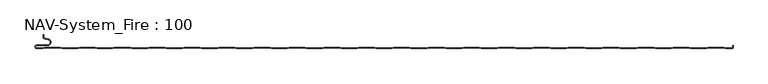
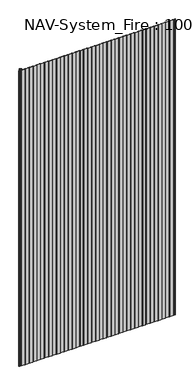
"""IFC4 building model written with IfcOpenShell, lengths in millimetres: plate geometry, NAV-System_Fire : 100."""

from ifc_helpers import new_model, si_unit, frame, origin, place, context, project, spatial, polyline, circle_curve, source, transform, mapped, element, save
from ifc_brep_helpers import plane_surface, cylinder_surface, revolved_surface, advanced_brep


def nav_system_fire_100_ceb1fbf4(model_context):
    return source(origin(), model_context, "Body", "AdvancedBrep", [
        advanced_brep(
        [(-488.8798221, -100.8, 2000.0), (-497.2500001, -100.8, 2000.0), (-497.2500001, -97.4000001, 2000.0), (-481.8502086, -97.4000001, 2000.0), (-480.9923864, -87.5950498, 2000.0), (-485.8625665, -86.7363054, 2000.0), (-487.3500004, -84.9636506, 2000.0), (-487.3500014, -81.6578709, 2000.0), (-488.1500014, -81.6578709, 2000.0), (-488.1500014, -84.9636516, 2000.0), (-486.0014853, -87.5241512, 2000.0), (-481.1313015, -88.382896, 2000.0), (-481.850205, -96.6000001, 2000.0), (-497.2500001, -96.6000001, 2000.0), (-497.2500001, -101.6, 2000.0), (-488.75, -101.6, 2000.0), (-485.75, -100.6, 2000.0), (-463.75, -100.6, 2000.0), (-460.75, -101.6, 2000.0), (-438.75, -101.6, 2000.0), (-435.75, -100.6, 2000.0), (-413.75, -100.6, 2000.0), (-410.75, -101.6, 2000.0), (-388.75, -101.6, 2000.0), (-385.75, -100.6, 2000.0), (-363.75, -100.6, 2000.0), (-360.75, -101.6, 2000.0), (-338.75, -101.6, 2000.0), (-335.75, -100.6, 2000.0), (-313.75, -100.6, 2000.0), (-310.75, -101.6, 2000.0), (-288.75, -101.6, 2000.0), (-285.75, -100.6, 2000.0), (-263.75, -100.6, 2000.0), (-260.75, -101.6, 2000.0), (-238.75, -101.6, 2000.0), (-235.75, -100.6, 2000.0), (-213.75, -100.6, 2000.0), (-210.75, -101.6, 2000.0), (-188.75, -101.6, 2000.0), (-185.75, -100.6, 2000.0), (-163.75, -100.6, 2000.0), (-160.75, -101.6, 2000.0), (-138.75, -101.6, 2000.0), (-135.75, -100.6, 2000.0), (-113.75, -100.6, 2000.0), (-110.75, -101.6, 2000.0), (-88.75, -101.6, 2000.0), (-85.75, -100.6, 2000.0), (-63.75, -100.6, 2000.0), (-60.75, -101.6, 2000.0), (-38.75, -101.6, 2000.0), (-35.75, -100.6, 2000.0), (-13.75, -100.6, 2000.0), (-10.75, -101.6, 2000.0), (11.25, -101.6, 2000.0), (14.25, -100.6, 2000.0), (36.25, -100.6, 2000.0), (39.25, -101.6, 2000.0), (61.25, -101.6, 2000.0), (64.25, -100.6, 2000.0), (86.25, -100.6, 2000.0), (89.25, -101.6, 2000.0), (111.25, -101.6, 2000.0), (114.25, -100.6, 2000.0), (136.25, -100.6, 2000.0), (139.25, -101.6, 2000.0), (161.25, -101.6, 2000.0), (164.25, -100.6, 2000.0), (186.25, -100.6, 2000.0), (189.25, -101.6, 2000.0), (211.25, -101.6, 2000.0), (214.25, -100.6, 2000.0), (236.25, -100.6, 2000.0), (239.25, -101.6, 2000.0), (261.25, -101.6, 2000.0), (264.25, -100.6, 2000.0), (286.25, -100.6, 2000.0), (289.25, -101.6, 2000.0), (311.25, -101.6, 2000.0), (314.25, -100.6, 2000.0), (336.25, -100.6, 2000.0), (339.25, -101.6, 2000.0), (361.25, -101.6, 2000.0), (364.25, -100.6, 2000.0), (386.25, -100.6, 2000.0), (389.25, -101.6, 2000.0), (411.25, -101.6, 2000.0), (414.25, -100.6, 2000.0), (436.25, -100.6, 2000.0), (439.25, -101.6, 2000.0), (461.25, -101.6, 2000.0), (464.25, -100.6, 2000.0), (486.25, -100.6, 2000.0), (489.25, -101.6, 2000.0), (498.2500007, -101.6, 2000.0), (499.75, -100.9228766, 2000.0), (499.75, -96.9390429, 2000.0), (499.4499998, -98.1999953, 2000.0), (499.4499998, -99.5978602, 2000.0), (498.2500017, -100.7999998, 2000.0), (489.3798221, -100.8, 2000.0), (486.3798221, -99.8, 2000.0), (464.1201779, -99.8, 2000.0), (461.1201779, -100.8, 2000.0), (439.3798221, -100.8, 2000.0), (436.3798221, -99.8, 2000.0), (414.1201779, -99.8, 2000.0), (411.1201779, -100.8, 2000.0), (389.3798221, -100.8, 2000.0), (386.3798221, -99.8, 2000.0), (364.1201779, -99.8, 2000.0), (361.1201779, -100.8, 2000.0), (339.3798221, -100.8, 2000.0), (336.3798221, -99.8, 2000.0), (314.1201779, -99.8, 2000.0), (311.1201779, -100.8, 2000.0), (289.3798221, -100.8, 2000.0), (286.3798221, -99.8, 2000.0), (264.1201779, -99.8, 2000.0), (261.1201779, -100.8, 2000.0), (239.3798221, -100.8, 2000.0), (236.3798221, -99.8, 2000.0), (214.1201779, -99.8, 2000.0), (211.1201779, -100.8, 2000.0), (189.3798221, -100.8, 2000.0), (186.3798221, -99.8, 2000.0), (164.1201779, -99.8, 2000.0), (161.1201779, -100.8, 2000.0), (139.3798221, -100.8, 2000.0), (136.3798221, -99.8, 2000.0), (114.1201779, -99.8, 2000.0), (111.1201779, -100.8, 2000.0), (89.3798221, -100.8, 2000.0), (86.3798221, -99.8, 2000.0), (64.1201779, -99.8, 2000.0), (61.1201779, -100.8, 2000.0), (39.3798221, -100.8, 2000.0), (36.3798221, -99.8, 2000.0), (14.1201779, -99.8, 2000.0), (11.1201779, -100.8, 2000.0), (-10.6201779, -100.8, 2000.0), (-13.6201779, -99.8, 2000.0), (-35.8798221, -99.8, 2000.0), (-38.8798221, -100.8, 2000.0), (-60.6201779, -100.8, 2000.0), (-63.6201779, -99.8, 2000.0), (-85.8798221, -99.8, 2000.0), (-88.8798221, -100.8, 2000.0), (-110.6201779, -100.8, 2000.0), (-113.6201779, -99.8, 2000.0), (-135.8798221, -99.8, 2000.0), (-138.8798221, -100.8, 2000.0), (-160.6201779, -100.8, 2000.0), (-163.6201779, -99.8, 2000.0), (-185.8798221, -99.8, 2000.0), (-188.8798221, -100.8, 2000.0), (-210.6201779, -100.8, 2000.0), (-213.6201779, -99.8, 2000.0), (-235.8798221, -99.8, 2000.0), (-238.8798221, -100.8, 2000.0), (-260.6201779, -100.8, 2000.0), (-263.6201779, -99.8, 2000.0), (-285.8798221, -99.8, 2000.0), (-288.8798221, -100.8, 2000.0), (-310.6201779, -100.8, 2000.0), (-313.6201779, -99.8, 2000.0), (-335.8798221, -99.8, 2000.0), (-338.8798221, -100.8, 2000.0), (-360.6201779, -100.8, 2000.0), (-363.6201779, -99.8, 2000.0), (-385.8798221, -99.8, 2000.0), (-388.8798221, -100.8, 2000.0), (-410.6201779, -100.8, 2000.0), (-413.6201779, -99.8, 2000.0), (-435.8798221, -99.8, 2000.0), (-438.8798221, -100.8, 2000.0), (-460.6201779, -100.8, 2000.0), (-463.6201779, -99.8, 2000.0), (-485.8798221, -99.8, 2000.0), (-488.8798221, -100.8, 0.0), (-485.8798221, -99.8, 0.0), (-463.6201779, -99.8, 0.0), (-460.6201779, -100.8, 0.0), (-438.8798221, -100.8, 0.0), (-435.8798221, -99.8, 0.0), (-413.6201779, -99.8, 0.0), (-410.6201779, -100.8, 0.0), (-388.8798221, -100.8, 0.0), (-385.8798221, -99.8, 0.0), (-363.6201779, -99.8, 0.0), (-360.6201779, -100.8, 0.0), (-338.8798221, -100.8, 0.0), (-335.8798221, -99.8, 0.0), (-313.6201779, -99.8, 0.0), (-310.6201779, -100.8, 0.0), (-288.8798221, -100.8, 0.0), (-285.8798221, -99.8, 0.0), (-263.6201779, -99.8, 0.0), (-260.6201779, -100.8, 0.0), (-238.8798221, -100.8, 0.0), (-235.8798221, -99.8, 0.0), (-213.6201779, -99.8, 0.0), (-210.6201779, -100.8, 0.0), (-188.8798221, -100.8, 0.0), (-185.8798221, -99.8, 0.0), (-163.6201779, -99.8, 0.0), (-160.6201779, -100.8, 0.0), (-138.8798221, -100.8, 0.0), (-135.8798221, -99.8, 0.0), (-113.6201779, -99.8, 0.0), (-110.6201779, -100.8, 0.0), (-88.8798221, -100.8, 0.0), (-85.8798221, -99.8, 0.0), (-63.6201779, -99.8, 0.0), (-60.6201779, -100.8, 0.0), (-38.8798221, -100.8, 0.0), (-35.8798221, -99.8, 0.0), (-13.6201779, -99.8, 0.0), (-10.6201779, -100.8, 0.0), (11.1201779, -100.8, 0.0), (14.1201779, -99.8, 0.0), (36.3798221, -99.8, 0.0), (39.3798221, -100.8, 0.0), (61.1201779, -100.8, 0.0), (64.1201779, -99.8, 0.0), (86.3798221, -99.8, 0.0), (89.3798221, -100.8, 0.0), (111.1201779, -100.8, 0.0), (114.1201779, -99.8, 0.0), (136.3798221, -99.8, 0.0), (139.3798221, -100.8, 0.0), (161.1201779, -100.8, 0.0), (164.1201779, -99.8, 0.0), (186.3798221, -99.8, 0.0), (189.3798221, -100.8, 0.0), (211.1201779, -100.8, 0.0), (214.1201779, -99.8, 0.0), (236.3798221, -99.8, 0.0), (239.3798221, -100.8, 0.0), (261.1201779, -100.8, 0.0), (264.1201779, -99.8, 0.0), (286.3798221, -99.8, 0.0), (289.3798221, -100.8, 0.0), (311.1201779, -100.8, 0.0), (314.1201779, -99.8, 0.0), (336.3798221, -99.8, 0.0), (339.3798221, -100.8, 0.0), (361.1201779, -100.8, 0.0), (364.1201779, -99.8, 0.0), (386.3798221, -99.8, 0.0), (389.3798221, -100.8, 0.0), (411.1201779, -100.8, 0.0), (414.1201779, -99.8, 0.0), (436.3798221, -99.8, 0.0), (439.3798221, -100.8, 0.0), (461.1201779, -100.8, 0.0), (464.1201779, -99.8, 0.0), (486.3798221, -99.8, 0.0), (489.3798221, -100.8, 0.0), (498.2500017, -100.8, 0.0), (499.4499998, -99.5978602, 0.0), (499.4499998, -98.1999953, 0.0), (499.75, -96.9390429, 0.0), (499.75, -100.9228766, 0.0), (498.2500007, -101.6, 0.0), (489.25, -101.6, 0.0), (486.25, -100.6, 0.0), (464.25, -100.6, 0.0), (461.25, -101.6, 0.0), (439.25, -101.6, 0.0), (436.25, -100.6, 0.0), (414.25, -100.6, 0.0), (411.25, -101.6, 0.0), (389.25, -101.6, 0.0), (386.25, -100.6, 0.0), (364.25, -100.6, 0.0), (361.25, -101.6, 0.0), (339.25, -101.6, 0.0), (336.25, -100.6, 0.0), (314.25, -100.6, 0.0), (311.25, -101.6, 0.0), (289.25, -101.6, 0.0), (286.25, -100.6, 0.0), (264.25, -100.6, 0.0), (261.25, -101.6, 0.0), (239.25, -101.6, 0.0), (236.25, -100.6, 0.0), (214.25, -100.6, 0.0), (211.25, -101.6, 0.0), (189.25, -101.6, 0.0), (186.25, -100.6, 0.0), (164.25, -100.6, 0.0), (161.25, -101.6, 0.0), (139.25, -101.6, 0.0), (136.25, -100.6, 0.0), (114.25, -100.6, 0.0), (111.25, -101.6, 0.0), (89.25, -101.6, 0.0), (86.25, -100.6, 0.0), (64.25, -100.6, 0.0), (61.25, -101.6, 0.0), (39.25, -101.6, 0.0), (36.25, -100.6, 0.0), (14.25, -100.6, 0.0), (11.25, -101.6, 0.0), (-10.75, -101.6, 0.0), (-13.75, -100.6, 0.0), (-35.75, -100.6, 0.0), (-38.75, -101.6, 0.0), (-60.75, -101.6, 0.0), (-63.75, -100.6, 0.0), (-85.75, -100.6, 0.0), (-88.75, -101.6, 0.0), (-110.75, -101.6, 0.0), (-113.75, -100.6, 0.0), (-135.75, -100.6, 0.0), (-138.75, -101.6, 0.0), (-160.75, -101.6, 0.0), (-163.75, -100.6, 0.0), (-185.75, -100.6, 0.0), (-188.75, -101.6, 0.0), (-210.75, -101.6, 0.0), (-213.75, -100.6, 0.0), (-235.75, -100.6, 0.0), (-238.75, -101.6, 0.0), (-260.75, -101.6, 0.0), (-263.75, -100.6, 0.0), (-285.75, -100.6, 0.0), (-288.75, -101.6, 0.0), (-310.75, -101.6, 0.0), (-313.75, -100.6, 0.0), (-335.75, -100.6, 0.0), (-338.75, -101.6, 0.0), (-360.75, -101.6, 0.0), (-363.75, -100.6, 0.0), (-385.75, -100.6, 0.0), (-388.75, -101.6, 0.0), (-410.75, -101.6, 0.0), (-413.75, -100.6, 0.0), (-435.75, -100.6, 0.0), (-438.75, -101.6, 0.0), (-460.75, -101.6, 0.0), (-463.75, -100.6, 0.0), (-485.75, -100.6, 0.0), (-488.75, -101.6, 0.0), (-497.2500001, -101.6, 0.0), (-497.2500001, -96.6000001, 0.0), (-481.850205, -96.6000001, 0.0), (-481.1313015, -88.382896, 0.0), (-486.0014853, -87.5241512, 0.0), (-488.1499997, -84.9636516, 0.0), (-488.1500014, -81.6578709, 0.0), (-487.3500014, -81.6578709, 0.0), (-487.3500014, -84.9636506, 0.0), (-485.8625665, -86.7363054, 0.0), (-480.9923864, -87.5950498, 0.0), (-481.8502086, -97.4000001, 0.0), (-497.2500001, -97.4000001, 0.0), (-497.2500001, -100.7999998, 0.0)],
        [
            (0, 1),
            (1, 2, circle_curve(frame((-497.2500001, -99.1, 2000.0), z_axis=(0.0, 0.0, -1.0), x_axis=(1.0, 0.0, 0.0)), 1.6999999)),
            (2, 3),
            (3, 4, circle_curve(frame((-481.8502086, -92.4600001, 2000.0), z_axis=(0.0, 0.0, 1.0), x_axis=(1.0, 0.0, 0.0)), 4.94)),
            (4, 5),
            (5, 6, circle_curve(frame((-485.5499995, -84.9636506, 2000.0), z_axis=(0.0, 0.0, -1.0), x_axis=(1.0, 0.0, 0.0)), 1.8000009)),
            (6, 7),
            (7, 8),
            (8, 9),
            (9, 10, circle_curve(frame((-485.5500002, -84.9636516, 2000.0), z_axis=(0.0, 0.0, 1.0), x_axis=(1.0, 0.0, 0.0)), 2.5999995)),
            (10, 11),
            (11, 12, circle_curve(frame((-481.850205, -92.4600001, 2000.0), z_axis=(0.0, 0.0, -1.0), x_axis=(1.0, 0.0, 0.0)), 4.14)),
            (12, 13),
            (13, 14, circle_curve(frame((-497.2500001, -99.1000001, 2000.0), z_axis=(0.0, 0.0, 1.0), x_axis=(1.0, 0.0, 0.0)), 2.4999999)),
            (14, 15),
            (15, 16),
            (16, 17),
            (17, 18),
            (18, 19),
            (19, 20),
            (20, 21),
            (21, 22),
            (22, 23),
            (23, 24),
            (24, 25),
            (25, 26),
            (26, 27),
            (27, 28),
            (28, 29),
            (29, 30),
            (30, 31),
            (31, 32),
            (32, 33),
            (33, 34),
            (34, 35),
            (35, 36),
            (36, 37),
            (37, 38),
            (38, 39),
            (39, 40),
            (40, 41),
            (41, 42),
            (42, 43),
            (43, 44),
            (44, 45),
            (45, 46),
            (46, 47),
            (47, 48),
            (48, 49),
            (49, 50),
            (50, 51),
            (51, 52),
            (52, 53),
            (53, 54),
            (54, 55),
            (55, 56),
            (56, 57),
            (57, 58),
            (58, 59),
            (59, 60),
            (60, 61),
            (61, 62),
            (62, 63),
            (63, 64),
            (64, 65),
            (65, 66),
            (66, 67),
            (67, 68),
            (68, 69),
            (69, 70),
            (70, 71),
            (71, 72),
            (72, 73),
            (73, 74),
            (74, 75),
            (75, 76),
            (76, 77),
            (77, 78),
            (78, 79),
            (79, 80),
            (80, 81),
            (81, 82),
            (82, 83),
            (83, 84),
            (84, 85),
            (85, 86),
            (86, 87),
            (87, 88),
            (88, 89),
            (89, 90),
            (90, 91),
            (91, 92),
            (92, 93),
            (93, 94),
            (94, 95),
            (95, 96, circle_curve(frame((498.2500007, -99.5999998, 2000.0), z_axis=(0.0, 0.0, 1.0), x_axis=(1.0, 0.0, 0.0)), 2.0000002)),
            (96, 97),
            (97, 98, circle_curve(frame((502.2499995, -98.1999953, 2000.0), z_axis=(0.0, 0.0, 1.0), x_axis=(1.0, 0.0, 0.0)), 2.7999997)),
            (98, 99),
            (99, 100, circle_curve(frame((498.2500017, -99.5999998, 2000.0), z_axis=(0.0, 0.0, -1.0), x_axis=(1.0, 0.0, 0.0)), 1.2)),
            (100, 101),
            (101, 102),
            (102, 103),
            (103, 104),
            (104, 105),
            (105, 106),
            (106, 107),
            (107, 108),
            (108, 109),
            (109, 110),
            (110, 111),
            (111, 112),
            (112, 113),
            (113, 114),
            (114, 115),
            (115, 116),
            (116, 117),
            (117, 118),
            (118, 119),
            (119, 120),
            (120, 121),
            (121, 122),
            (122, 123),
            (123, 124),
            (124, 125),
            (125, 126),
            (126, 127),
            (127, 128),
            (128, 129),
            (129, 130),
            (130, 131),
            (131, 132),
            (132, 133),
            (133, 134),
            (134, 135),
            (135, 136),
            (136, 137),
            (137, 138),
            (138, 139),
            (139, 140),
            (140, 141),
            (141, 142),
            (142, 143),
            (143, 144),
            (144, 145),
            (145, 146),
            (146, 147),
            (147, 148),
            (148, 149),
            (149, 150),
            (150, 151),
            (151, 152),
            (152, 153),
            (153, 154),
            (154, 155),
            (155, 156),
            (156, 157),
            (157, 158),
            (158, 159),
            (159, 160),
            (160, 161),
            (161, 162),
            (162, 163),
            (163, 164),
            (164, 165),
            (165, 166),
            (166, 167),
            (167, 168),
            (168, 169),
            (169, 170),
            (170, 171),
            (171, 172),
            (172, 173),
            (173, 174),
            (174, 175),
            (175, 176),
            (176, 177),
            (177, 178),
            (178, 179),
            (179, 0),
            (180, 181),
            (181, 182),
            (182, 183),
            (183, 184),
            (184, 185),
            (185, 186),
            (186, 187),
            (187, 188),
            (188, 189),
            (189, 190),
            (190, 191),
            (191, 192),
            (192, 193),
            (193, 194),
            (194, 195),
            (195, 196),
            (196, 197),
            (197, 198),
            (198, 199),
            (199, 200),
            (200, 201),
            (201, 202),
            (202, 203),
            (203, 204),
            (204, 205),
            (205, 206),
            (206, 207),
            (207, 208),
            (208, 209),
            (209, 210),
            (210, 211),
            (211, 212),
            (212, 213),
            (213, 214),
            (214, 215),
            (215, 216),
            (216, 217),
            (217, 218),
            (218, 219),
            (219, 220),
            (220, 221),
            (221, 222),
            (222, 223),
            (223, 224),
            (224, 225),
            (225, 226),
            (226, 227),
            (227, 228),
            (228, 229),
            (229, 230),
            (230, 231),
            (231, 232),
            (232, 233),
            (233, 234),
            (234, 235),
            (235, 236),
            (236, 237),
            (237, 238),
            (238, 239),
            (239, 240),
            (240, 241),
            (241, 242),
            (242, 243),
            (243, 244),
            (244, 245),
            (245, 246),
            (246, 247),
            (247, 248),
            (248, 249),
            (249, 250),
            (250, 251),
            (251, 252),
            (252, 253),
            (253, 254),
            (254, 255),
            (255, 256),
            (256, 257),
            (257, 258),
            (258, 259),
            (259, 260),
            (260, 261, circle_curve(frame((498.2500017, -99.5999998, 0.0), z_axis=(0.0, 0.0, 1.0), x_axis=(1.0, 0.0, 0.0)), 1.2)),
            (261, 262),
            (262, 263, circle_curve(frame((502.2499995, -98.1999953, 0.0), z_axis=(0.0, 0.0, -1.0), x_axis=(1.0, 0.0, 0.0)), 2.7999997)),
            (263, 264),
            (264, 265, circle_curve(frame((498.2500007, -99.5999998, 0.0), z_axis=(0.0, 0.0, -1.0), x_axis=(1.0, 0.0, 0.0)), 2.0000002)),
            (265, 266),
            (266, 267),
            (267, 268),
            (268, 269),
            (269, 270),
            (270, 271),
            (271, 272),
            (272, 273),
            (273, 274),
            (274, 275),
            (275, 276),
            (276, 277),
            (277, 278),
            (278, 279),
            (279, 280),
            (280, 281),
            (281, 282),
            (282, 283),
            (283, 284),
            (284, 285),
            (285, 286),
            (286, 287),
            (287, 288),
            (288, 289),
            (289, 290),
            (290, 291),
            (291, 292),
            (292, 293),
            (293, 294),
            (294, 295),
            (295, 296),
            (296, 297),
            (297, 298),
            (298, 299),
            (299, 300),
            (300, 301),
            (301, 302),
            (302, 303),
            (303, 304),
            (304, 305),
            (305, 306),
            (306, 307),
            (307, 308),
            (308, 309),
            (309, 310),
            (310, 311),
            (311, 312),
            (312, 313),
            (313, 314),
            (314, 315),
            (315, 316),
            (316, 317),
            (317, 318),
            (318, 319),
            (319, 320),
            (320, 321),
            (321, 322),
            (322, 323),
            (323, 324),
            (324, 325),
            (325, 326),
            (326, 327),
            (327, 328),
            (328, 329),
            (329, 330),
            (330, 331),
            (331, 332),
            (332, 333),
            (333, 334),
            (334, 335),
            (335, 336),
            (336, 337),
            (337, 338),
            (338, 339),
            (339, 340),
            (340, 341),
            (341, 342),
            (342, 343),
            (343, 344),
            (344, 345),
            (345, 346),
            (346, 347, circle_curve(frame((-497.2500001, -99.1000001, 0.0), z_axis=(0.0, 0.0, -1.0), x_axis=(1.0, 0.0, 0.0)), 2.4999999)),
            (347, 348),
            (348, 349, circle_curve(frame((-481.850205, -92.4600001, 0.0), z_axis=(0.0, 0.0, 1.0), x_axis=(1.0, 0.0, 0.0)), 4.14)),
            (349, 350),
            (350, 351, circle_curve(frame((-485.5500002, -84.9636516, 0.0), z_axis=(0.0, 0.0, -1.0), x_axis=(1.0, 0.0, 0.0)), 2.5999995)),
            (351, 352),
            (352, 353),
            (353, 354),
            (354, 355, circle_curve(frame((-485.5499995, -84.9636506, 0.0), z_axis=(0.0, 0.0, 1.0), x_axis=(1.0, 0.0, 0.0)), 1.8000009)),
            (355, 356),
            (356, 357, circle_curve(frame((-481.8502086, -92.4600001, 0.0), z_axis=(0.0, 0.0, -1.0), x_axis=(1.0, 0.0, 0.0)), 4.94)),
            (357, 358),
            (358, 359, circle_curve(frame((-497.2500001, -99.1, 0.0), z_axis=(0.0, 0.0, 1.0), x_axis=(1.0, 0.0, 0.0)), 1.6999999)),
            (359, 180),
            (14, 346),
            (345, 15),
            (0, 180),
            (359, 1),
            (100, 260),
            (259, 101),
            (258, 102),
            (257, 103),
            (256, 104),
            (255, 105),
            (254, 106),
            (253, 107),
            (252, 108),
            (251, 109),
            (250, 110),
            (249, 111),
            (248, 112),
            (247, 113),
            (246, 114),
            (245, 115),
            (244, 116),
            (243, 117),
            (242, 118),
            (241, 119),
            (240, 120),
            (239, 121),
            (238, 122),
            (237, 123),
            (236, 124),
            (235, 125),
            (234, 126),
            (233, 127),
            (232, 128),
            (231, 129),
            (230, 130),
            (229, 131),
            (228, 132),
            (227, 133),
            (226, 134),
            (225, 135),
            (224, 136),
            (223, 137),
            (222, 138),
            (221, 139),
            (220, 140),
            (219, 141),
            (218, 142),
            (217, 143),
            (216, 144),
            (215, 145),
            (214, 146),
            (213, 147),
            (212, 148),
            (211, 149),
            (210, 150),
            (209, 151),
            (208, 152),
            (207, 153),
            (206, 154),
            (205, 155),
            (204, 156),
            (203, 157),
            (202, 158),
            (201, 159),
            (200, 160),
            (199, 161),
            (198, 162),
            (197, 163),
            (196, 164),
            (195, 165),
            (194, 166),
            (193, 167),
            (192, 168),
            (191, 169),
            (190, 170),
            (189, 171),
            (188, 172),
            (187, 173),
            (186, 174),
            (185, 175),
            (184, 176),
            (183, 177),
            (182, 178),
            (181, 179),
            (344, 16),
            (343, 17),
            (342, 18),
            (341, 19),
            (340, 20),
            (339, 21),
            (338, 22),
            (337, 23),
            (336, 24),
            (335, 25),
            (334, 26),
            (333, 27),
            (332, 28),
            (331, 29),
            (330, 30),
            (329, 31),
            (328, 32),
            (327, 33),
            (326, 34),
            (325, 35),
            (324, 36),
            (323, 37),
            (322, 38),
            (321, 39),
            (320, 40),
            (319, 41),
            (318, 42),
            (317, 43),
            (316, 44),
            (315, 45),
            (314, 46),
            (313, 47),
            (312, 48),
            (311, 49),
            (310, 50),
            (309, 51),
            (308, 52),
            (307, 53),
            (306, 54),
            (305, 55),
            (304, 56),
            (303, 57),
            (302, 58),
            (301, 59),
            (300, 60),
            (299, 61),
            (298, 62),
            (297, 63),
            (296, 64),
            (295, 65),
            (294, 66),
            (293, 67),
            (292, 68),
            (291, 69),
            (290, 70),
            (289, 71),
            (288, 72),
            (287, 73),
            (286, 74),
            (285, 75),
            (284, 76),
            (283, 77),
            (282, 78),
            (281, 79),
            (280, 80),
            (279, 81),
            (278, 82),
            (277, 83),
            (276, 84),
            (275, 85),
            (274, 86),
            (273, 87),
            (272, 88),
            (271, 89),
            (270, 90),
            (269, 91),
            (268, 92),
            (267, 93),
            (266, 94),
            (265, 95),
            (2, 358),
            (357, 3),
            (6, 354),
            (353, 7),
            (352, 8),
            (351, 9),
            (12, 348),
            (347, 13),
            (356, 4),
            (355, 5),
            (350, 10),
            (349, 11),
            (264, 96),
            (262, 98),
            (97, 263),
            (261, 99),
        ],
        [
            plane_surface(frame((-499.75, -101.6, 2000.0), z_axis=(0.0, 0.0, 1.0), x_axis=(-1.0, 0.0, 0.0))),
            plane_surface(frame((-499.75, -101.6, 0.0), z_axis=(0.0, 0.0, -1.0), x_axis=(-1.0, 0.0, 0.0))),
            plane_surface(frame((-497.2500001, -101.6, 2000.0), z_axis=(0.0, -1.0, 0.0), x_axis=(0.0, 0.0, -1.0))),
            plane_surface(frame((-488.8798221, -100.8, 2000.0), z_axis=(0.0, 1.0, 0.0), x_axis=(0.0, 0.0, -1.0))),
            plane_surface(frame((498.2500017, -100.8, 2000.0), z_axis=(0.0, 1.0, 0.0), x_axis=(0.0, 0.0, -1.0))),
            plane_surface(frame((489.3798221, -100.8, 2000.0), z_axis=(0.31622776601669583, 0.9486832980505612, 0.0), x_axis=(0.0, 0.0, -1.0))),
            plane_surface(frame((486.3798221, -99.8, 2000.0), z_axis=(0.0, 1.0, 0.0), x_axis=(0.0, 0.0, -1.0))),
            plane_surface(frame((464.1201779, -99.8, 2000.0), z_axis=(-0.31622776601680463, 0.948683298050525, 0.0), x_axis=(0.0, 0.0, -1.0))),
            plane_surface(frame((461.1201779, -100.8, 2000.0), z_axis=(0.0, 1.0, 0.0), x_axis=(0.0, 0.0, -1.0))),
            plane_surface(frame((439.3798221, -100.8, 2000.0), z_axis=(0.3162277660167412, 0.9486832980505461, 0.0), x_axis=(0.0, 0.0, -1.0))),
            plane_surface(frame((436.3798221, -99.8, 2000.0), z_axis=(0.0, 1.0, 0.0), x_axis=(0.0, 0.0, -1.0))),
            plane_surface(frame((414.1201779, -99.8, 2000.0), z_axis=(-0.3162277660167537, 0.948683298050542, 0.0), x_axis=(0.0, 0.0, -1.0))),
            plane_surface(frame((411.1201779, -100.8, 2000.0), z_axis=(0.0, 1.0, 0.0), x_axis=(0.0, 0.0, -1.0))),
            plane_surface(frame((389.3798221, -100.8, 2000.0), z_axis=(0.31622776601679214, 0.9486832980505291, 0.0), x_axis=(0.0, 0.0, -1.0))),
            plane_surface(frame((386.3798221, -99.8, 2000.0), z_axis=(0.0, 1.0, 0.0), x_axis=(0.0, 0.0, -1.0))),
            plane_surface(frame((364.1201779, -99.8, 2000.0), z_axis=(-0.31622776601680463, 0.948683298050525, 0.0), x_axis=(0.0, 0.0, -1.0))),
            plane_surface(frame((361.1201779, -100.8, 2000.0), z_axis=(0.0, 1.0, 0.0), x_axis=(0.0, 0.0, -1.0))),
            plane_surface(frame((339.3798221, -100.8, 2000.0), z_axis=(0.3162277660167412, 0.9486832980505461, 0.0), x_axis=(0.0, 0.0, -1.0))),
            plane_surface(frame((336.3798221, -99.8, 2000.0), z_axis=(0.0, 1.0, 0.0), x_axis=(0.0, 0.0, -1.0))),
            plane_surface(frame((314.1201779, -99.8, 2000.0), z_axis=(-0.3162277660167537, 0.948683298050542, 0.0), x_axis=(0.0, 0.0, -1.0))),
            plane_surface(frame((311.1201779, -100.8, 2000.0), z_axis=(0.0, 1.0, 0.0), x_axis=(0.0, 0.0, -1.0))),
            plane_surface(frame((289.3798221, -100.8, 2000.0), z_axis=(0.31622776601679214, 0.9486832980505291, 0.0), x_axis=(0.0, 0.0, -1.0))),
            plane_surface(frame((286.3798221, -99.8, 2000.0), z_axis=(0.0, 1.0, 0.0), x_axis=(0.0, 0.0, -1.0))),
            plane_surface(frame((264.1201779, -99.8, 2000.0), z_axis=(-0.31622776601680463, 0.948683298050525, 0.0), x_axis=(0.0, 0.0, -1.0))),
            plane_surface(frame((261.1201779, -100.8, 2000.0), z_axis=(0.0, 1.0, 0.0), x_axis=(0.0, 0.0, -1.0))),
            plane_surface(frame((239.3798221, -100.8, 2000.0), z_axis=(0.3162277660167412, 0.9486832980505461, 0.0), x_axis=(0.0, 0.0, -1.0))),
            plane_surface(frame((236.3798221, -99.8, 2000.0), z_axis=(0.0, 1.0, 0.0), x_axis=(0.0, 0.0, -1.0))),
            plane_surface(frame((214.1201779, -99.8, 2000.0), z_axis=(-0.3162277660167537, 0.948683298050542, 0.0), x_axis=(0.0, 0.0, -1.0))),
            plane_surface(frame((211.1201779, -100.8, 2000.0), z_axis=(0.0, 1.0, 0.0), x_axis=(0.0, 0.0, -1.0))),
            plane_surface(frame((189.3798221, -100.8, 2000.0), z_axis=(0.31622776601679214, 0.9486832980505291, 0.0), x_axis=(0.0, 0.0, -1.0))),
            plane_surface(frame((186.3798221, -99.8, 2000.0), z_axis=(0.0, 1.0, 0.0), x_axis=(0.0, 0.0, -1.0))),
            plane_surface(frame((164.1201779, -99.8, 2000.0), z_axis=(-0.31622776601680463, 0.948683298050525, 0.0), x_axis=(0.0, 0.0, -1.0))),
            plane_surface(frame((161.1201779, -100.8, 2000.0), z_axis=(0.0, 1.0, 0.0), x_axis=(0.0, 0.0, -1.0))),
            plane_surface(frame((139.3798221, -100.8, 2000.0), z_axis=(0.3162277660167412, 0.9486832980505461, 0.0), x_axis=(0.0, 0.0, -1.0))),
            plane_surface(frame((136.3798221, -99.8, 2000.0), z_axis=(0.0, 1.0, 0.0), x_axis=(0.0, 0.0, -1.0))),
            plane_surface(frame((114.1201779, -99.8, 2000.0), z_axis=(-0.3162277660167537, 0.948683298050542, 0.0), x_axis=(0.0, 0.0, -1.0))),
            plane_surface(frame((111.1201779, -100.8, 2000.0), z_axis=(0.0, 1.0, 0.0), x_axis=(0.0, 0.0, -1.0))),
            plane_surface(frame((89.3798221, -100.8, 2000.0), z_axis=(0.3162277660167412, 0.9486832980505461, 0.0), x_axis=(0.0, 0.0, -1.0))),
            plane_surface(frame((86.3798221, -99.8, 2000.0), z_axis=(0.0, 1.0, 0.0), x_axis=(0.0, 0.0, -1.0))),
            plane_surface(frame((64.1201779, -99.8, 2000.0), z_axis=(-0.3162277660167537, 0.948683298050542, 0.0), x_axis=(0.0, 0.0, -1.0))),
            plane_surface(frame((61.1201779, -100.8, 2000.0), z_axis=(0.0, 1.0, 0.0), x_axis=(0.0, 0.0, -1.0))),
            plane_surface(frame((39.3798221, -100.8, 2000.0), z_axis=(0.31622776601679214, 0.9486832980505291, 0.0), x_axis=(0.0, 0.0, -1.0))),
            plane_surface(frame((36.3798221, -99.8, 2000.0), z_axis=(0.0, 1.0, 0.0), x_axis=(0.0, 0.0, -1.0))),
            plane_surface(frame((14.1201779, -99.8, 2000.0), z_axis=(-0.31622776601680463, 0.948683298050525, 0.0), x_axis=(0.0, 0.0, -1.0))),
            plane_surface(frame((11.1201779, -100.8, 2000.0), z_axis=(0.0, 1.0, 0.0), x_axis=(0.0, 0.0, -1.0))),
            plane_surface(frame((-10.6201779, -100.8, 2000.0), z_axis=(0.3162277660167412, 0.9486832980505461, 0.0), x_axis=(0.0, 0.0, -1.0))),
            plane_surface(frame((-13.6201779, -99.8, 2000.0), z_axis=(0.0, 1.0, 0.0), x_axis=(0.0, 0.0, -1.0))),
            plane_surface(frame((-35.8798221, -99.8, 2000.0), z_axis=(-0.3162277660167537, 0.948683298050542, 0.0), x_axis=(0.0, 0.0, -1.0))),
            plane_surface(frame((-38.8798221, -100.8, 2000.0), z_axis=(0.0, 1.0, 0.0), x_axis=(0.0, 0.0, -1.0))),
            plane_surface(frame((-60.6201779, -100.8, 2000.0), z_axis=(0.31622776601679214, 0.9486832980505291, 0.0), x_axis=(0.0, 0.0, -1.0))),
            plane_surface(frame((-63.6201779, -99.8, 2000.0), z_axis=(0.0, 1.0, 0.0), x_axis=(0.0, 0.0, -1.0))),
            plane_surface(frame((-85.8798221, -99.8, 2000.0), z_axis=(-0.31622776601680463, 0.948683298050525, 0.0), x_axis=(0.0, 0.0, -1.0))),
            plane_surface(frame((-88.8798221, -100.8, 2000.0), z_axis=(0.0, 1.0, 0.0), x_axis=(0.0, 0.0, -1.0))),
            plane_surface(frame((-110.6201779, -100.8, 2000.0), z_axis=(0.3162277660167412, 0.9486832980505461, 0.0), x_axis=(0.0, 0.0, -1.0))),
            plane_surface(frame((-113.6201779, -99.8, 2000.0), z_axis=(0.0, 1.0, 0.0), x_axis=(0.0, 0.0, -1.0))),
            plane_surface(frame((-135.8798221, -99.8, 2000.0), z_axis=(-0.3162277660167537, 0.948683298050542, 0.0), x_axis=(0.0, 0.0, -1.0))),
            plane_surface(frame((-138.8798221, -100.8, 2000.0), z_axis=(0.0, 1.0, 0.0), x_axis=(0.0, 0.0, -1.0))),
            plane_surface(frame((-160.6201779, -100.8, 2000.0), z_axis=(0.31622776601679214, 0.9486832980505291, 0.0), x_axis=(0.0, 0.0, -1.0))),
            plane_surface(frame((-163.6201779, -99.8, 2000.0), z_axis=(0.0, 1.0, 0.0), x_axis=(0.0, 0.0, -1.0))),
            plane_surface(frame((-185.8798221, -99.8, 2000.0), z_axis=(-0.3162277660168057, 0.9486832980505246, 0.0), x_axis=(0.0, 0.0, -1.0))),
            plane_surface(frame((-188.8798221, -100.8, 2000.0), z_axis=(0.0, 1.0, 0.0), x_axis=(0.0, 0.0, -1.0))),
            plane_surface(frame((-210.6201779, -100.8, 2000.0), z_axis=(0.3162277660167412, 0.9486832980505461, 0.0), x_axis=(0.0, 0.0, -1.0))),
            plane_surface(frame((-213.6201779, -99.8, 2000.0), z_axis=(0.0, 1.0, 0.0), x_axis=(0.0, 0.0, -1.0))),
            plane_surface(frame((-235.8798221, -99.8, 2000.0), z_axis=(-0.3162277660167537, 0.948683298050542, 0.0), x_axis=(0.0, 0.0, -1.0))),
            plane_surface(frame((-238.8798221, -100.8, 2000.0), z_axis=(0.0, 1.0, 0.0), x_axis=(0.0, 0.0, -1.0))),
            plane_surface(frame((-260.6201779, -100.8, 2000.0), z_axis=(0.31622776601679214, 0.9486832980505291, 0.0), x_axis=(0.0, 0.0, -1.0))),
            plane_surface(frame((-263.6201779, -99.8, 2000.0), z_axis=(0.0, 1.0, 0.0), x_axis=(0.0, 0.0, -1.0))),
            plane_surface(frame((-285.8798221, -99.8, 2000.0), z_axis=(-0.31622776601680463, 0.948683298050525, 0.0), x_axis=(0.0, 0.0, -1.0))),
            plane_surface(frame((-288.8798221, -100.8, 2000.0), z_axis=(0.0, 1.0, 0.0), x_axis=(0.0, 0.0, -1.0))),
            plane_surface(frame((-310.6201779, -100.8, 2000.0), z_axis=(0.3162277660167412, 0.9486832980505461, 0.0), x_axis=(0.0, 0.0, -1.0))),
            plane_surface(frame((-313.6201779, -99.8, 2000.0), z_axis=(0.0, 1.0, 0.0), x_axis=(0.0, 0.0, -1.0))),
            plane_surface(frame((-335.8798221, -99.8, 2000.0), z_axis=(-0.3162277660167537, 0.948683298050542, 0.0), x_axis=(0.0, 0.0, -1.0))),
            plane_surface(frame((-338.8798221, -100.8, 2000.0), z_axis=(0.0, 1.0, 0.0), x_axis=(0.0, 0.0, -1.0))),
            plane_surface(frame((-360.6201779, -100.8, 2000.0), z_axis=(0.31622776601679214, 0.9486832980505291, 0.0), x_axis=(0.0, 0.0, -1.0))),
            plane_surface(frame((-363.6201779, -99.8, 2000.0), z_axis=(0.0, 1.0, 0.0), x_axis=(0.0, 0.0, -1.0))),
            plane_surface(frame((-385.8798221, -99.8, 2000.0), z_axis=(-0.31622776601680463, 0.948683298050525, 0.0), x_axis=(0.0, 0.0, -1.0))),
            plane_surface(frame((-388.8798221, -100.8, 2000.0), z_axis=(0.0, 1.0, 0.0), x_axis=(0.0, 0.0, -1.0))),
            plane_surface(frame((-410.6201779, -100.8, 2000.0), z_axis=(0.31622776601679214, 0.9486832980505291, 0.0), x_axis=(0.0, 0.0, -1.0))),
            plane_surface(frame((-413.6201779, -99.8, 2000.0), z_axis=(0.0, 1.0, 0.0), x_axis=(0.0, 0.0, -1.0))),
            plane_surface(frame((-435.8798221, -99.8, 2000.0), z_axis=(-0.31622776601680463, 0.948683298050525, 0.0), x_axis=(0.0, 0.0, -1.0))),
            plane_surface(frame((-438.8798221, -100.8, 2000.0), z_axis=(0.0, 1.0, 0.0), x_axis=(0.0, 0.0, -1.0))),
            plane_surface(frame((-460.6201779, -100.8, 2000.0), z_axis=(0.3162277660167412, 0.9486832980505461, 0.0), x_axis=(0.0, 0.0, -1.0))),
            plane_surface(frame((-463.6201779, -99.8, 2000.0), z_axis=(0.0, 1.0, 0.0), x_axis=(0.0, 0.0, -1.0))),
            plane_surface(frame((-485.8798221, -99.8, 2000.0), z_axis=(-0.3162277660167414, 0.9486832980505461, 0.0), x_axis=(0.0, 0.0, -1.0))),
            plane_surface(frame((-488.75, -101.6, 2000.0), z_axis=(0.31622776601671876, -0.9486832980505536, 0.0), x_axis=(0.0, 0.0, -1.0))),
            plane_surface(frame((-485.75, -100.6, 2000.0), z_axis=(0.0, -1.0, 0.0), x_axis=(0.0, 0.0, -1.0))),
            plane_surface(frame((-463.75, -100.6, 2000.0), z_axis=(-0.31622776601671854, -0.9486832980505536, 0.0), x_axis=(0.0, 0.0, -1.0))),
            plane_surface(frame((-460.75, -101.6, 2000.0), z_axis=(0.0, -1.0, 0.0), x_axis=(0.0, 0.0, -1.0))),
            plane_surface(frame((-438.75, -101.6, 2000.0), z_axis=(0.31622776601678765, -0.9486832980505306, 0.0), x_axis=(0.0, 0.0, -1.0))),
            plane_surface(frame((-435.75, -100.6, 2000.0), z_axis=(0.0, -1.0, 0.0), x_axis=(0.0, 0.0, -1.0))),
            plane_surface(frame((-413.75, -100.6, 2000.0), z_axis=(-0.3162277660167751, -0.9486832980505348, 0.0), x_axis=(0.0, 0.0, -1.0))),
            plane_surface(frame((-410.75, -101.6, 2000.0), z_axis=(0.0, -1.0, 0.0), x_axis=(0.0, 0.0, -1.0))),
            plane_surface(frame((-388.75, -101.6, 2000.0), z_axis=(0.31622776601678765, -0.9486832980505306, 0.0), x_axis=(0.0, 0.0, -1.0))),
            plane_surface(frame((-385.75, -100.6, 2000.0), z_axis=(0.0, -1.0, 0.0), x_axis=(0.0, 0.0, -1.0))),
            plane_surface(frame((-363.75, -100.6, 2000.0), z_axis=(-0.3162277660167751, -0.9486832980505348, 0.0), x_axis=(0.0, 0.0, -1.0))),
            plane_surface(frame((-360.75, -101.6, 2000.0), z_axis=(0.0, -1.0, 0.0), x_axis=(0.0, 0.0, -1.0))),
            plane_surface(frame((-338.75, -101.6, 2000.0), z_axis=(0.316227766016731, -0.9486832980505495, 0.0), x_axis=(0.0, 0.0, -1.0))),
            plane_surface(frame((-335.75, -100.6, 2000.0), z_axis=(0.0, -1.0, 0.0), x_axis=(0.0, 0.0, -1.0))),
            plane_surface(frame((-313.75, -100.6, 2000.0), z_axis=(-0.31622776601671854, -0.9486832980505536, 0.0), x_axis=(0.0, 0.0, -1.0))),
            plane_surface(frame((-310.75, -101.6, 2000.0), z_axis=(0.0, -1.0, 0.0), x_axis=(0.0, 0.0, -1.0))),
            plane_surface(frame((-288.75, -101.6, 2000.0), z_axis=(0.31622776601678765, -0.9486832980505306, 0.0), x_axis=(0.0, 0.0, -1.0))),
            plane_surface(frame((-285.75, -100.6, 2000.0), z_axis=(0.0, -1.0, 0.0), x_axis=(0.0, 0.0, -1.0))),
            plane_surface(frame((-263.75, -100.6, 2000.0), z_axis=(-0.3162277660167751, -0.9486832980505348, 0.0), x_axis=(0.0, 0.0, -1.0))),
            plane_surface(frame((-260.75, -101.6, 2000.0), z_axis=(0.0, -1.0, 0.0), x_axis=(0.0, 0.0, -1.0))),
            plane_surface(frame((-238.75, -101.6, 2000.0), z_axis=(0.316227766016731, -0.9486832980505495, 0.0), x_axis=(0.0, 0.0, -1.0))),
            plane_surface(frame((-235.75, -100.6, 2000.0), z_axis=(0.0, -1.0, 0.0), x_axis=(0.0, 0.0, -1.0))),
            plane_surface(frame((-213.75, -100.6, 2000.0), z_axis=(-0.31622776601671854, -0.9486832980505536, 0.0), x_axis=(0.0, 0.0, -1.0))),
            plane_surface(frame((-210.75, -101.6, 2000.0), z_axis=(0.0, -1.0, 0.0), x_axis=(0.0, 0.0, -1.0))),
            plane_surface(frame((-188.75, -101.6, 2000.0), z_axis=(0.3162277660168057, -0.9486832980505246, 0.0), x_axis=(0.0, 0.0, -1.0))),
            plane_surface(frame((-185.75, -100.6, 2000.0), z_axis=(0.0, -1.0, 0.0), x_axis=(0.0, 0.0, -1.0))),
            plane_surface(frame((-163.75, -100.6, 2000.0), z_axis=(-0.3162277660167751, -0.9486832980505348, 0.0), x_axis=(0.0, 0.0, -1.0))),
            plane_surface(frame((-160.75, -101.6, 2000.0), z_axis=(0.0, -1.0, 0.0), x_axis=(0.0, 0.0, -1.0))),
            plane_surface(frame((-138.75, -101.6, 2000.0), z_axis=(0.316227766016731, -0.9486832980505495, 0.0), x_axis=(0.0, 0.0, -1.0))),
            plane_surface(frame((-135.75, -100.6, 2000.0), z_axis=(0.0, -1.0, 0.0), x_axis=(0.0, 0.0, -1.0))),
            plane_surface(frame((-113.75, -100.6, 2000.0), z_axis=(-0.31622776601671854, -0.9486832980505536, 0.0), x_axis=(0.0, 0.0, -1.0))),
            plane_surface(frame((-110.75, -101.6, 2000.0), z_axis=(0.0, -1.0, 0.0), x_axis=(0.0, 0.0, -1.0))),
            plane_surface(frame((-88.75, -101.6, 2000.0), z_axis=(0.31622776601678765, -0.9486832980505306, 0.0), x_axis=(0.0, 0.0, -1.0))),
            plane_surface(frame((-85.75, -100.6, 2000.0), z_axis=(0.0, -1.0, 0.0), x_axis=(0.0, 0.0, -1.0))),
            plane_surface(frame((-63.75, -100.6, 2000.0), z_axis=(-0.3162277660167751, -0.9486832980505348, 0.0), x_axis=(0.0, 0.0, -1.0))),
            plane_surface(frame((-60.75, -101.6, 2000.0), z_axis=(0.0, -1.0, 0.0), x_axis=(0.0, 0.0, -1.0))),
            plane_surface(frame((-38.75, -101.6, 2000.0), z_axis=(0.316227766016731, -0.9486832980505495, 0.0), x_axis=(0.0, 0.0, -1.0))),
            plane_surface(frame((-35.75, -100.6, 2000.0), z_axis=(0.0, -1.0, 0.0), x_axis=(0.0, 0.0, -1.0))),
            plane_surface(frame((-13.75, -100.6, 2000.0), z_axis=(-0.31622776601671854, -0.9486832980505536, 0.0), x_axis=(0.0, 0.0, -1.0))),
            plane_surface(frame((-10.75, -101.6, 2000.0), z_axis=(0.0, -1.0, 0.0), x_axis=(0.0, 0.0, -1.0))),
            plane_surface(frame((11.25, -101.6, 2000.0), z_axis=(0.31622776601678765, -0.9486832980505306, 0.0), x_axis=(0.0, 0.0, -1.0))),
            plane_surface(frame((14.25, -100.6, 2000.0), z_axis=(0.0, -1.0, 0.0), x_axis=(0.0, 0.0, -1.0))),
            plane_surface(frame((36.25, -100.6, 2000.0), z_axis=(-0.3162277660167751, -0.9486832980505348, 0.0), x_axis=(0.0, 0.0, -1.0))),
            plane_surface(frame((39.25, -101.6, 2000.0), z_axis=(0.0, -1.0, 0.0), x_axis=(0.0, 0.0, -1.0))),
            plane_surface(frame((61.25, -101.6, 2000.0), z_axis=(0.316227766016731, -0.9486832980505495, 0.0), x_axis=(0.0, 0.0, -1.0))),
            plane_surface(frame((64.25, -100.6, 2000.0), z_axis=(0.0, -1.0, 0.0), x_axis=(0.0, 0.0, -1.0))),
            plane_surface(frame((86.25, -100.6, 2000.0), z_axis=(-0.31622776601671854, -0.9486832980505536, 0.0), x_axis=(0.0, 0.0, -1.0))),
            plane_surface(frame((89.25, -101.6, 2000.0), z_axis=(0.0, -1.0, 0.0), x_axis=(0.0, 0.0, -1.0))),
            plane_surface(frame((111.25, -101.6, 2000.0), z_axis=(0.316227766016731, -0.9486832980505495, 0.0), x_axis=(0.0, 0.0, -1.0))),
            plane_surface(frame((114.25, -100.6, 2000.0), z_axis=(0.0, -1.0, 0.0), x_axis=(0.0, 0.0, -1.0))),
            plane_surface(frame((136.25, -100.6, 2000.0), z_axis=(-0.31622776601671854, -0.9486832980505536, 0.0), x_axis=(0.0, 0.0, -1.0))),
            plane_surface(frame((139.25, -101.6, 2000.0), z_axis=(0.0, -1.0, 0.0), x_axis=(0.0, 0.0, -1.0))),
            plane_surface(frame((161.25, -101.6, 2000.0), z_axis=(0.31622776601678765, -0.9486832980505306, 0.0), x_axis=(0.0, 0.0, -1.0))),
            plane_surface(frame((164.25, -100.6, 2000.0), z_axis=(0.0, -1.0, 0.0), x_axis=(0.0, 0.0, -1.0))),
            plane_surface(frame((186.25, -100.6, 2000.0), z_axis=(-0.3162277660167751, -0.9486832980505348, 0.0), x_axis=(0.0, 0.0, -1.0))),
            plane_surface(frame((189.25, -101.6, 2000.0), z_axis=(0.0, -1.0, 0.0), x_axis=(0.0, 0.0, -1.0))),
            plane_surface(frame((211.25, -101.6, 2000.0), z_axis=(0.316227766016731, -0.9486832980505495, 0.0), x_axis=(0.0, 0.0, -1.0))),
            plane_surface(frame((214.25, -100.6, 2000.0), z_axis=(0.0, -1.0, 0.0), x_axis=(0.0, 0.0, -1.0))),
            plane_surface(frame((236.25, -100.6, 2000.0), z_axis=(-0.31622776601671854, -0.9486832980505536, 0.0), x_axis=(0.0, 0.0, -1.0))),
            plane_surface(frame((239.25, -101.6, 2000.0), z_axis=(0.0, -1.0, 0.0), x_axis=(0.0, 0.0, -1.0))),
            plane_surface(frame((261.25, -101.6, 2000.0), z_axis=(0.31622776601678765, -0.9486832980505306, 0.0), x_axis=(0.0, 0.0, -1.0))),
            plane_surface(frame((264.25, -100.6, 2000.0), z_axis=(0.0, -1.0, 0.0), x_axis=(0.0, 0.0, -1.0))),
            plane_surface(frame((286.25, -100.6, 2000.0), z_axis=(-0.3162277660167751, -0.9486832980505348, 0.0), x_axis=(0.0, 0.0, -1.0))),
            plane_surface(frame((289.25, -101.6, 2000.0), z_axis=(0.0, -1.0, 0.0), x_axis=(0.0, 0.0, -1.0))),
            plane_surface(frame((311.25, -101.6, 2000.0), z_axis=(0.316227766016731, -0.9486832980505495, 0.0), x_axis=(0.0, 0.0, -1.0))),
            plane_surface(frame((314.25, -100.6, 2000.0), z_axis=(0.0, -1.0, 0.0), x_axis=(0.0, 0.0, -1.0))),
            plane_surface(frame((336.25, -100.6, 2000.0), z_axis=(-0.31622776601671854, -0.9486832980505536, 0.0), x_axis=(0.0, 0.0, -1.0))),
            plane_surface(frame((339.25, -101.6, 2000.0), z_axis=(0.0, -1.0, 0.0), x_axis=(0.0, 0.0, -1.0))),
            plane_surface(frame((361.25, -101.6, 2000.0), z_axis=(0.31622776601678765, -0.9486832980505306, 0.0), x_axis=(0.0, 0.0, -1.0))),
            plane_surface(frame((364.25, -100.6, 2000.0), z_axis=(0.0, -1.0, 0.0), x_axis=(0.0, 0.0, -1.0))),
            plane_surface(frame((386.25, -100.6, 2000.0), z_axis=(-0.3162277660167751, -0.9486832980505348, 0.0), x_axis=(0.0, 0.0, -1.0))),
            plane_surface(frame((389.25, -101.6, 2000.0), z_axis=(0.0, -1.0, 0.0), x_axis=(0.0, 0.0, -1.0))),
            plane_surface(frame((411.25, -101.6, 2000.0), z_axis=(0.316227766016731, -0.9486832980505495, 0.0), x_axis=(0.0, 0.0, -1.0))),
            plane_surface(frame((414.25, -100.6, 2000.0), z_axis=(0.0, -1.0, 0.0), x_axis=(0.0, 0.0, -1.0))),
            plane_surface(frame((436.25, -100.6, 2000.0), z_axis=(-0.31622776601671854, -0.9486832980505536, 0.0), x_axis=(0.0, 0.0, -1.0))),
            plane_surface(frame((439.25, -101.6, 2000.0), z_axis=(0.0, -1.0, 0.0), x_axis=(0.0, 0.0, -1.0))),
            plane_surface(frame((461.25, -101.6, 2000.0), z_axis=(0.31622776601678765, -0.9486832980505306, 0.0), x_axis=(0.0, 0.0, -1.0))),
            plane_surface(frame((464.25, -100.6, 2000.0), z_axis=(0.0, -1.0, 0.0), x_axis=(0.0, 0.0, -1.0))),
            plane_surface(frame((486.25, -100.6, 2000.0), z_axis=(-0.3162277660166733, -0.9486832980505688, 0.0), x_axis=(0.0, 0.0, -1.0))),
            plane_surface(frame((489.25, -101.6, 2000.0), z_axis=(0.0, -1.0, 0.0), x_axis=(0.0, 0.0, -1.0))),
            plane_surface(frame((-497.2500001, -97.4000001, 2000.0), z_axis=(0.0, -1.0, 0.0), x_axis=(0.0, 0.0, -1.0))),
            plane_surface(frame((-487.3500014, -84.9636506, 2000.0), z_axis=(1.0, 0.0, 0.0), x_axis=(0.0, 0.0, -1.0))),
            plane_surface(frame((-487.3500014, -81.6578709, 2000.0), z_axis=(0.0, 1.0, 0.0), x_axis=(0.0, 0.0, -1.0))),
            plane_surface(frame((-488.1500014, -81.6578709, 2000.0), z_axis=(-1.0, 0.0, 0.0), x_axis=(0.0, 0.0, -1.0))),
            plane_surface(frame((-481.850205, -96.6000001, 2000.0), z_axis=(0.0, 1.0, 0.0), x_axis=(0.0, 0.0, -1.0))),
            revolved_surface(polyline([(-495.5500002, -99.1, 0.0), (-495.5500002, -99.1, 2000.0)]), (-497.2500001, -99.1, 2000.0), (0.0, 0.0, -1.0)),
            cylinder_surface(frame((-481.8502086, -92.4600001, 2000.0), z_axis=(0.0, 0.0, 1.0), x_axis=(1.0, 0.0, 0.0)), 4.94),
            plane_surface(frame((-480.9923864, -87.5950498, 2000.0), z_axis=(0.17364822279076958, 0.9848077450556567, 0.0), x_axis=(0.0, 0.0, -1.0))),
            revolved_surface(polyline([(-483.7499986, -84.9636506, 0.0), (-483.7499986, -84.9636506, 2000.0)]), (-485.5499995, -84.9636506, 2000.0), (0.0, 0.0, -1.0)),
            cylinder_surface(frame((-485.5500002, -84.9636516, 2000.0), z_axis=(0.0, 0.0, 1.0), x_axis=(1.0, 0.0, 0.0)), 2.5999995),
            plane_surface(frame((-486.0014853, -87.5241512, 2000.0), z_axis=(-0.17364817295915438, -0.984807753842316, 0.0), x_axis=(0.0, 0.0, -1.0))),
            revolved_surface(polyline([(-477.71020500000003, -92.4600001, 0.0), (-477.71020500000003, -92.4600001, 2000.0)]), (-481.850205, -92.4600001, 2000.0), (0.0, 0.0, -1.0)),
            cylinder_surface(frame((-497.2500001, -99.1000001, 2000.0), z_axis=(0.0, 0.0, 1.0), x_axis=(1.0, 0.0, 0.0)), 2.4999999),
            cylinder_surface(frame((498.2500007, -99.5999998, 2000.0), z_axis=(0.0, 0.0, 1.0), x_axis=(1.0, 0.0, 0.0)), 2.0000002),
            cylinder_surface(frame((502.2499995, -98.1999953, 2000.0), z_axis=(0.0, 0.0, 1.0), x_axis=(1.0, 0.0, 0.0)), 2.7999997),
            plane_surface(frame((499.4499998, -98.1999953, 2000.0), z_axis=(-1.0, 0.0, 0.0), x_axis=(0.0, 0.0, -1.0))),
            revolved_surface(polyline([(499.4500017, -99.5999998, 0.0), (499.4500017, -99.5999998, 2000.0)]), (498.2500017, -99.5999998, 2000.0), (0.0, 0.0, -1.0)),
            plane_surface(frame((499.75, 100.0, 2000.0), z_axis=(1.0, 0.0, 0.0), x_axis=(0.0, 0.0, -1.0))),
        ],
        [
            (0, [[1, 2, 3, 4, 5, 6, 7, 8, 9, 10, 11, 12, 13, 14, 15, 16, 17, 18, 19, 20, 21, 22, 23, 24, 25, 26, 27, 28, 29, 30, 31, 32, 33, 34, 35, 36, 37, 38, 39, 40, 41, 42, 43, 44, 45, 46, 47, 48, 49, 50, 51, 52, 53, 54, 55, 56, 57, 58, 59, 60, 61, 62, 63, 64, 65, 66, 67, 68, 69, 70, 71, 72, 73, 74, 75, 76, 77, 78, 79, 80, 81, 82, 83, 84, 85, 86, 87, 88, 89, 90, 91, 92, 93, 94, 95, 96, 97, 98, 99, 100, 101, 102, 103, 104, 105, 106, 107, 108, 109, 110, 111, 112, 113, 114, 115, 116, 117, 118, 119, 120, 121, 122, 123, 124, 125, 126, 127, 128, 129, 130, 131, 132, 133, 134, 135, 136, 137, 138, 139, 140, 141, 142, 143, 144, 145, 146, 147, 148, 149, 150, 151, 152, 153, 154, 155, 156, 157, 158, 159, 160, 161, 162, 163, 164, 165, 166, 167, 168, 169, 170, 171, 172, 173, 174, 175, 176, 177, 178, 179, 180]]),
            (1, [[181, 182, 183, 184, 185, 186, 187, 188, 189, 190, 191, 192, 193, 194, 195, 196, 197, 198, 199, 200, 201, 202, 203, 204, 205, 206, 207, 208, 209, 210, 211, 212, 213, 214, 215, 216, 217, 218, 219, 220, 221, 222, 223, 224, 225, 226, 227, 228, 229, 230, 231, 232, 233, 234, 235, 236, 237, 238, 239, 240, 241, 242, 243, 244, 245, 246, 247, 248, 249, 250, 251, 252, 253, 254, 255, 256, 257, 258, 259, 260, 261, 262, 263, 264, 265, 266, 267, 268, 269, 270, 271, 272, 273, 274, 275, 276, 277, 278, 279, 280, 281, 282, 283, 284, 285, 286, 287, 288, 289, 290, 291, 292, 293, 294, 295, 296, 297, 298, 299, 300, 301, 302, 303, 304, 305, 306, 307, 308, 309, 310, 311, 312, 313, 314, 315, 316, 317, 318, 319, 320, 321, 322, 323, 324, 325, 326, 327, 328, 329, 330, 331, 332, 333, 334, 335, 336, 337, 338, 339, 340, 341, 342, 343, 344, 345, 346, 347, 348, 349, 350, 351, 352, 353, 354, 355, 356, 357, 358, 359, 360]]),
            (2, [[-15, 361, -346, 362]]),
            (3, [[-1, 363, -360, 364]]),
            (4, [[-101, 365, -260, 366]]),
            (5, [[-102, -366, -259, 367]]),
            (6, [[-103, -367, -258, 368]]),
            (7, [[-104, -368, -257, 369]]),
            (8, [[-105, -369, -256, 370]]),
            (9, [[-106, -370, -255, 371]]),
            (10, [[-107, -371, -254, 372]]),
            (11, [[-108, -372, -253, 373]]),
            (12, [[-109, -373, -252, 374]]),
            (13, [[-110, -374, -251, 375]]),
            (14, [[-111, -375, -250, 376]]),
            (15, [[-112, -376, -249, 377]]),
            (16, [[-113, -377, -248, 378]]),
            (17, [[-114, -378, -247, 379]]),
            (18, [[-115, -379, -246, 380]]),
            (19, [[-116, -380, -245, 381]]),
            (20, [[-117, -381, -244, 382]]),
            (21, [[-118, -382, -243, 383]]),
            (22, [[-119, -383, -242, 384]]),
            (23, [[-120, -384, -241, 385]]),
            (24, [[-121, -385, -240, 386]]),
            (25, [[-122, -386, -239, 387]]),
            (26, [[-123, -387, -238, 388]]),
            (27, [[-124, -388, -237, 389]]),
            (28, [[-125, -389, -236, 390]]),
            (29, [[-126, -390, -235, 391]]),
            (30, [[-127, -391, -234, 392]]),
            (31, [[-128, -392, -233, 393]]),
            (32, [[-129, -393, -232, 394]]),
            (33, [[-130, -394, -231, 395]]),
            (34, [[-131, -395, -230, 396]]),
            (35, [[-132, -396, -229, 397]]),
            (36, [[-133, -397, -228, 398]]),
            (37, [[-134, -398, -227, 399]]),
            (38, [[-135, -399, -226, 400]]),
            (39, [[-136, -400, -225, 401]]),
            (40, [[-137, -401, -224, 402]]),
            (41, [[-138, -402, -223, 403]]),
            (42, [[-139, -403, -222, 404]]),
            (43, [[-140, -404, -221, 405]]),
            (44, [[-141, -405, -220, 406]]),
            (45, [[-142, -406, -219, 407]]),
            (46, [[-143, -407, -218, 408]]),
            (47, [[-144, -408, -217, 409]]),
            (48, [[-145, -409, -216, 410]]),
            (49, [[-146, -410, -215, 411]]),
            (50, [[-147, -411, -214, 412]]),
            (51, [[-148, -412, -213, 413]]),
            (52, [[-149, -413, -212, 414]]),
            (53, [[-150, -414, -211, 415]]),
            (54, [[-151, -415, -210, 416]]),
            (55, [[-152, -416, -209, 417]]),
            (56, [[-153, -417, -208, 418]]),
            (57, [[-154, -418, -207, 419]]),
            (58, [[-155, -419, -206, 420]]),
            (59, [[-156, -420, -205, 421]]),
            (60, [[-157, -421, -204, 422]]),
            (61, [[-158, -422, -203, 423]]),
            (62, [[-159, -423, -202, 424]]),
            (63, [[-160, -424, -201, 425]]),
            (64, [[-161, -425, -200, 426]]),
            (65, [[-162, -426, -199, 427]]),
            (66, [[-163, -427, -198, 428]]),
            (67, [[-164, -428, -197, 429]]),
            (68, [[-165, -429, -196, 430]]),
            (69, [[-166, -430, -195, 431]]),
            (70, [[-167, -431, -194, 432]]),
            (71, [[-168, -432, -193, 433]]),
            (72, [[-169, -433, -192, 434]]),
            (73, [[-170, -434, -191, 435]]),
            (74, [[-171, -435, -190, 436]]),
            (75, [[-172, -436, -189, 437]]),
            (76, [[-173, -437, -188, 438]]),
            (77, [[-174, -438, -187, 439]]),
            (78, [[-175, -439, -186, 440]]),
            (79, [[-176, -440, -185, 441]]),
            (80, [[-177, -441, -184, 442]]),
            (81, [[-178, -442, -183, 443]]),
            (82, [[-179, -443, -182, 444]]),
            (83, [[-180, -444, -181, -363]]),
            (84, [[-16, -362, -345, 445]]),
            (85, [[-17, -445, -344, 446]]),
            (86, [[-18, -446, -343, 447]]),
            (87, [[-19, -447, -342, 448]]),
            (88, [[-20, -448, -341, 449]]),
            (89, [[-21, -449, -340, 450]]),
            (90, [[-22, -450, -339, 451]]),
            (91, [[-23, -451, -338, 452]]),
            (92, [[-24, -452, -337, 453]]),
            (93, [[-25, -453, -336, 454]]),
            (94, [[-26, -454, -335, 455]]),
            (95, [[-27, -455, -334, 456]]),
            (96, [[-28, -456, -333, 457]]),
            (97, [[-29, -457, -332, 458]]),
            (98, [[-30, -458, -331, 459]]),
            (99, [[-31, -459, -330, 460]]),
            (100, [[-32, -460, -329, 461]]),
            (101, [[-33, -461, -328, 462]]),
            (102, [[-34, -462, -327, 463]]),
            (103, [[-35, -463, -326, 464]]),
            (104, [[-36, -464, -325, 465]]),
            (105, [[-37, -465, -324, 466]]),
            (106, [[-38, -466, -323, 467]]),
            (107, [[-39, -467, -322, 468]]),
            (108, [[-40, -468, -321, 469]]),
            (109, [[-41, -469, -320, 470]]),
            (110, [[-42, -470, -319, 471]]),
            (111, [[-43, -471, -318, 472]]),
            (112, [[-44, -472, -317, 473]]),
            (113, [[-45, -473, -316, 474]]),
            (114, [[-46, -474, -315, 475]]),
            (115, [[-47, -475, -314, 476]]),
            (116, [[-48, -476, -313, 477]]),
            (117, [[-49, -477, -312, 478]]),
            (118, [[-50, -478, -311, 479]]),
            (119, [[-51, -479, -310, 480]]),
            (120, [[-52, -480, -309, 481]]),
            (121, [[-53, -481, -308, 482]]),
            (122, [[-54, -482, -307, 483]]),
            (123, [[-55, -483, -306, 484]]),
            (124, [[-56, -484, -305, 485]]),
            (125, [[-57, -485, -304, 486]]),
            (126, [[-58, -486, -303, 487]]),
            (127, [[-59, -487, -302, 488]]),
            (128, [[-60, -488, -301, 489]]),
            (129, [[-61, -489, -300, 490]]),
            (130, [[-62, -490, -299, 491]]),
            (131, [[-63, -491, -298, 492]]),
            (132, [[-64, -492, -297, 493]]),
            (133, [[-65, -493, -296, 494]]),
            (134, [[-66, -494, -295, 495]]),
            (135, [[-67, -495, -294, 496]]),
            (136, [[-68, -496, -293, 497]]),
            (137, [[-69, -497, -292, 498]]),
            (138, [[-70, -498, -291, 499]]),
            (139, [[-71, -499, -290, 500]]),
            (140, [[-72, -500, -289, 501]]),
            (141, [[-73, -501, -288, 502]]),
            (142, [[-74, -502, -287, 503]]),
            (143, [[-75, -503, -286, 504]]),
            (144, [[-76, -504, -285, 505]]),
            (145, [[-77, -505, -284, 506]]),
            (146, [[-78, -506, -283, 507]]),
            (147, [[-79, -507, -282, 508]]),
            (148, [[-80, -508, -281, 509]]),
            (149, [[-81, -509, -280, 510]]),
            (150, [[-82, -510, -279, 511]]),
            (151, [[-83, -511, -278, 512]]),
            (152, [[-84, -512, -277, 513]]),
            (153, [[-85, -513, -276, 514]]),
            (154, [[-86, -514, -275, 515]]),
            (155, [[-87, -515, -274, 516]]),
            (156, [[-88, -516, -273, 517]]),
            (157, [[-89, -517, -272, 518]]),
            (158, [[-90, -518, -271, 519]]),
            (159, [[-91, -519, -270, 520]]),
            (160, [[-92, -520, -269, 521]]),
            (161, [[-93, -521, -268, 522]]),
            (162, [[-94, -522, -267, 523]]),
            (163, [[-95, -523, -266, 524]]),
            (164, [[-3, 525, -358, 526]]),
            (165, [[-7, 527, -354, 528]]),
            (166, [[-8, -528, -353, 529]]),
            (167, [[-9, -529, -352, 530]]),
            (168, [[-13, 531, -348, 532]]),
            (169, [[-2, -364, -359, -525]]),
            (170, [[-4, -526, -357, 533]]),
            (171, [[-5, -533, -356, 534]]),
            (172, [[-6, -534, -355, -527]]),
            (173, [[-10, -530, -351, 535]]),
            (174, [[-11, -535, -350, 536]]),
            (175, [[-12, -536, -349, -531]]),
            (176, [[-14, -532, -347, -361]]),
            (177, [[-524, -265, 537, -96]]),
            (178, [[538, -98, 539, -263]]),
            (179, [[-99, -538, -262, 540]]),
            (180, [[-100, -540, -261, -365]]),
            (181, [[-97, -537, -264, -539]]),
        ],
    ),
    ])


if __name__ == "__main__":
    model = new_model("IFC4")
    model_context = context("Model", 3, world=origin())
    ifc_project = project(units=[si_unit("LENGTHUNIT", "METRE", prefix="MILLI")], contexts=[model_context])
    site = spatial("IfcSite", under=ifc_project)
    building = spatial("IfcBuilding", under=site)
    placement = place(None, origin())
    nav_system_fire_100_shape = nav_system_fire_100_ceb1fbf4(model_context)
    element("IfcPlate", 1, ObjectType="NAV-System_Fire : 100", at=placement, inside=building, context=model_context, shape_type="MappedRepresentation", body=[
        mapped(nav_system_fire_100_shape, transform((0.0, 0.0, 0.0), x_axis=(1.0, 0.0, 0.0), y_axis=(0.0, 1.0, 0.0), z_axis=(0.0, 0.0, 1.0))),
    ])
    save(model, "model.ifc")
